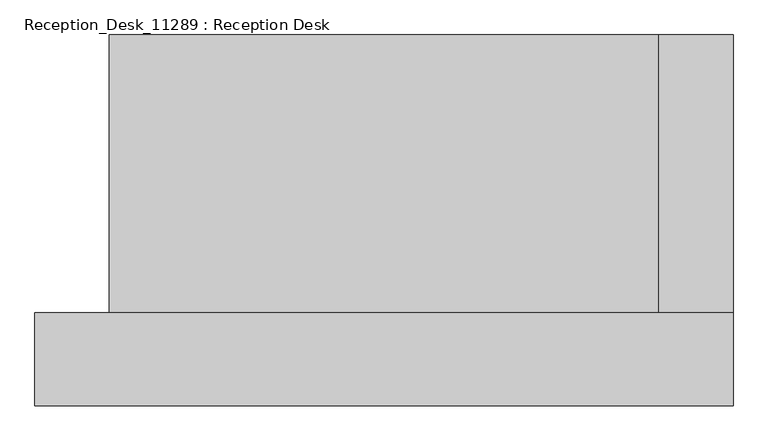
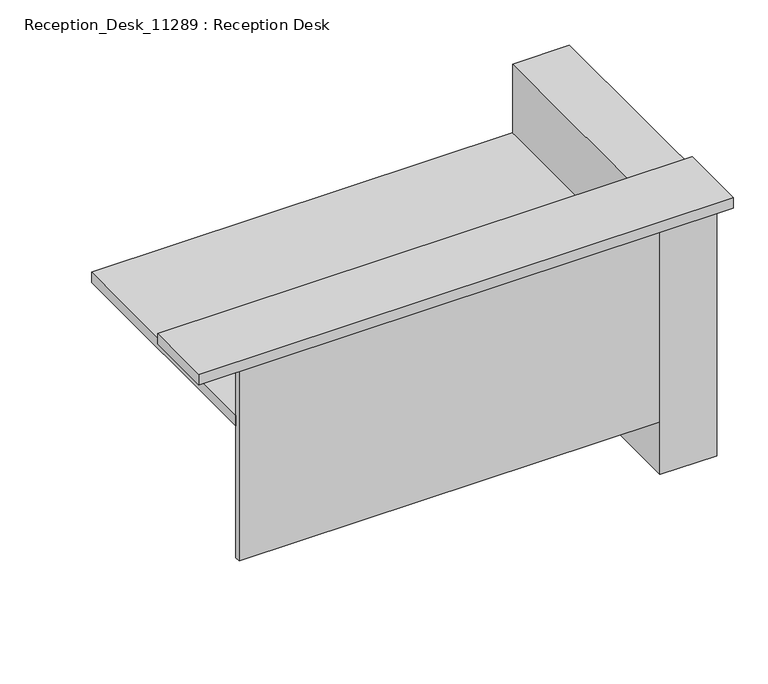
"""IFC4 building model written with IfcOpenShell, lengths in millimetres: furniture geometry, Reception_Desk_11289 : Reception Desk."""

from ifc_helpers import new_model, si_unit, frame, origin, origin_with_axes, place, context, project, spatial, polyline, outline, extrude, source, transform, mapped, element, save


def reception_desk_11289_reception_desk_19b0f068(model_context):
    return source(origin(), model_context, "Body", "SweptSolid", [
        extrude(outline(polyline([(1793.9108658, -247.5), (1793.9108658, -501.5), (-119.3435933, -501.5), (-119.3435933, -247.5), (1793.9108658, -247.5)])), frame((0.0, 0.0, 1000.0), z_axis=(0.0, 0.0, 1.0), x_axis=(1.0, 0.0, 0.0)), (0.0, 0.0, 1.0), 40.0),
        extrude(outline(polyline([(1590.7108658, 514.4), (1793.9108658, 514.4), (1793.9108658, -400.0), (1590.7108658, -400.0), (1590.7108658, 514.4)])), origin_with_axes(), (0.0, 0.0, 1.0), 1000.0),
        extrude(outline(polyline([(1590.7108658, 514.4), (1590.7108658, -380.0), (83.8564067, -380.0), (83.8564067, 514.4), (1590.7108658, 514.4)])), frame((0.0, 0.0, 700.0), z_axis=(0.0, 0.0, 1.0), x_axis=(1.0, 0.0, 0.0)), (0.0, 0.0, 1.0), 40.0),
        extrude(outline(polyline([(1590.7108658, -380.0), (1590.7108658, -400.0), (83.8564067, -400.0), (83.8564067, -380.0), (1590.7108658, -380.0)])), frame((0.0, 0.0, 200.0), z_axis=(0.0, 0.0, 1.0), x_axis=(1.0, 0.0, 0.0)), (0.0, 0.0, 1.0), 800.0),
    ])


if __name__ == "__main__":
    model = new_model("IFC4")
    model_context = context("Model", 3, world=origin())
    ifc_project = project(units=[si_unit("LENGTHUNIT", "METRE", prefix="MILLI")], contexts=[model_context])
    site = spatial("IfcSite", under=ifc_project)
    building = spatial("IfcBuilding", under=site)
    placement = place(None, origin())
    reception_desk_11289_reception_desk_shape = reception_desk_11289_reception_desk_19b0f068(model_context)
    element("IfcFurniture", 1, ObjectType="Reception_Desk_11289 : Reception Desk", at=placement, inside=building, context=model_context, shape_type="MappedRepresentation", body=[
        mapped(reception_desk_11289_reception_desk_shape, transform((0.0, 0.0, 0.0), x_axis=(1.0, 0.0, 0.0), y_axis=(0.0, 1.0, 0.0), z_axis=(0.0, 0.0, 1.0))),
    ])
    save(model, "model.ifc")
